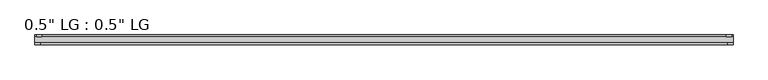
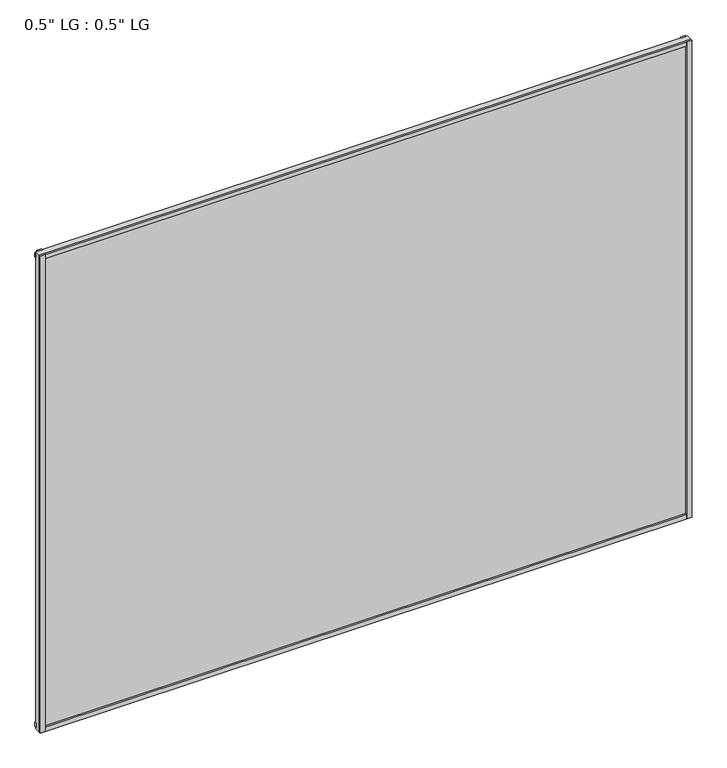
"""IFC4 building model written with IfcOpenShell, lengths in millimetres: plate geometry."""

from ifc_helpers import new_model, si_unit, frame, origin, origin_with_axes, place, context, project, spatial, polyline, outline, extrude, source, transform, mapped, element, save


def plate_17d13497(model_context):
    return source(origin(), model_context, "Body", "SweptSolid", [
        extrude(outline(polyline([(804.068369, -33.3271813), (804.068369, -38.0007813), (791.9306894, -38.0007813), (791.9306894, -33.3271813), (804.068369, -33.3271813)])), origin_with_axes(), (0.0, 0.0, 1.0), 1243.7923299),
        extrude(outline(polyline([(800.5370153, -15.5217813), (800.5370153, -19.7127813), (788.5245915, -19.7127813), (788.5245915, -15.5217813), (800.5370153, -15.5217813)])), origin_with_axes(), (0.0, 0.0, 1.0), 1243.7923299),
        extrude(outline(polyline([(-791.777791, -38.0007812), (-804.068369, -38.0007812), (-804.068369, -33.3271813), (-791.777791, -33.3271813), (-791.777791, -38.0007812)])), origin_with_axes(), (0.0, 0.0, 1.0), 1243.7923299),
        extrude(outline(polyline([(-787.8185531, -19.7127813), (-800.1091311, -19.7127813), (-800.1091311, -15.5217812), (-787.8185531, -15.5217812), (-787.8185531, -19.7127813)])), origin_with_axes(), (0.0, 0.0, 1.0), 1243.7923299),
        extrude(outline(polyline([(804.068369, -33.3271813), (804.068369, -38.0007813), (-804.068369, -38.0007812), (-804.068369, -33.3271813), (804.068369, -33.3271813)])), origin_with_axes(), (0.0, 0.0, 1.0), 11.1693096),
        extrude(outline(polyline([(804.068369, -15.3590708), (804.068369, -20.1364307), (-804.068369, -20.1364307), (-804.068369, -15.3590708), (804.068369, -15.3590708)])), frame((0.0, 0.0, 3.848913), z_axis=(0.0, 0.0, 1.0), x_axis=(1.0, 0.0, 0.0)), (0.0, 0.0, 1.0), 11.1693096),
        extrude(outline(polyline([(804.068369, -33.3271813), (804.068369, -38.0007813), (-804.068369, -38.0007812), (-804.068369, -33.3271813), (804.068369, -33.3271813)])), frame((0.0, 0.0, 1232.611224), z_axis=(0.0, 0.0, 1.0), x_axis=(1.0, 0.0, 0.0)), (0.0, 0.0, 1.0), 11.1811058),
        extrude(outline(polyline([(804.068369, -15.5217813), (804.068369, -19.7127813), (-804.068369, -19.7127812), (-804.068369, -15.5217813), (804.068369, -15.5217813)])), frame((0.0, 0.0, 1228.0520773), z_axis=(0.0, 0.0, 1.0), x_axis=(1.0, 0.0, 0.0)), (0.0, 0.0, 1.0), 11.1811058),
        extrude(outline(polyline([(804.068369, -33.3271812), (-804.068369, -33.3271812), (-804.068369, -19.7127812), (804.068369, -19.7127812), (804.068369, -33.3271812)])), origin_with_axes(), (0.0, 0.0, 1.0), 1243.7923299),
    ])


if __name__ == "__main__":
    model = new_model("IFC4")
    model_context = context("Model", 3, world=origin())
    ifc_project = project(units=[si_unit("LENGTHUNIT", "METRE", prefix="MILLI")], contexts=[model_context])
    site = spatial("IfcSite", under=ifc_project)
    building = spatial("IfcBuilding", under=site)
    placement = place(None, origin())
    plate_shape = plate_17d13497(model_context)
    element("IfcPlate", 1, ObjectType="0.5\" LG : 0.5\" LG", at=placement, inside=building, context=model_context, shape_type="MappedRepresentation", body=[
        mapped(plate_shape, transform((0.0, 0.0, 0.0), x_axis=(1.0, 0.0, 0.0), y_axis=(0.0, 1.0, 0.0), z_axis=(0.0, 0.0, 1.0))),
    ])
    save(model, "model.ifc")
